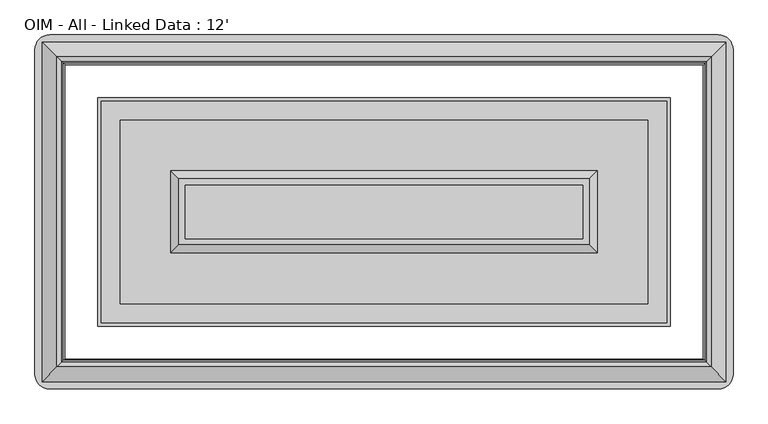
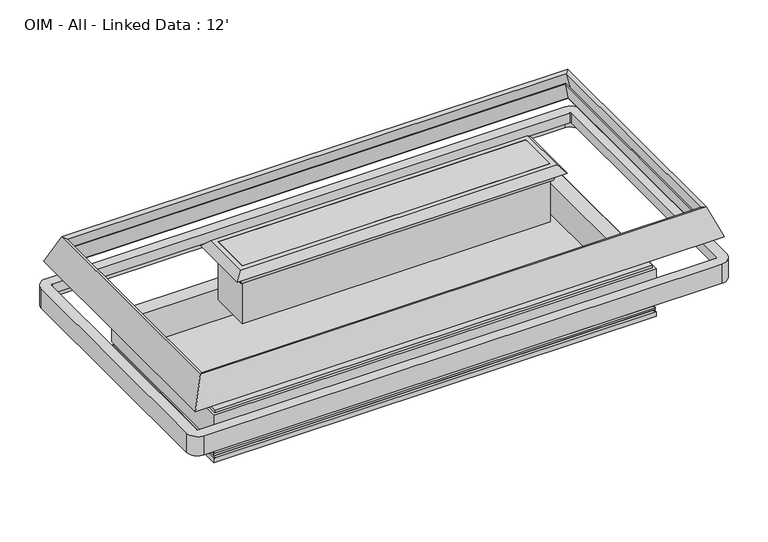
"""IFC4 building model written with IfcOpenShell, lengths in millimetres: proxy geometry, OIM - All - Linked Data : 12'."""

from ifc_helpers import new_model, si_unit, point, frame, frame_2d, origin, origin_with_axes, place, context, project, spatial, polyline, circle_curve, ellipse_curve, trimmed, segment, composite_curve, outline, extrude, faceted_brep, source, transform, mapped, element, save
from ifc_brep_helpers import plane_surface, cylinder_surface, revolved_surface, advanced_brep


def oim_all_linked_data_12_10238068(model_context):
    return source(origin(), model_context, "Body", "SolidModel", [
        extrude(outline(composite_curve([segment(trimmed(circle_curve(frame_2d((3250.40625, -1313.8632439)), 12.7), [point((3237.70625, -1313.8632439))], [point((3263.10625, -1313.8632439))], False, "CARTESIAN"), True, "CONTINUOUS"), segment(trimmed(circle_curve(frame_2d((3250.40625, -1313.8632439)), 12.7), [point((3263.10625, -1313.8632439))], [point((3237.70625, -1313.8632439))], False, "CARTESIAN"), True, "CONTINUOUS")], self_intersect=False)), origin_with_axes(), (0.0, 0.0, 1.0), 101.6),
        extrude(outline(composite_curve([segment(trimmed(circle_curve(frame_2d((3250.40625, -1369.8367134)), 9.525), [point((3240.88125, -1369.8367134))], [point((3259.93125, -1369.8367134))], False, "CARTESIAN"), True, "CONTINUOUS"), segment(trimmed(circle_curve(frame_2d((3250.40625, -1369.8367134)), 9.525), [point((3259.93125, -1369.8367134))], [point((3240.88125, -1369.8367134))], False, "CARTESIAN"), True, "CONTINUOUS")], self_intersect=False)), origin_with_axes(), (0.0, 0.0, 1.0), 101.6),
        extrude(outline(composite_curve([segment(trimmed(circle_curve(frame_2d((1951.0375, -996.2223778)), 38.1), [point((1912.9375, -996.2223778))], [point((1989.1375, -996.2223778))], False, "CARTESIAN"), True, "CONTINUOUS"), segment(trimmed(circle_curve(frame_2d((1951.0375, -996.2223778)), 38.1), [point((1989.1375, -996.2223778))], [point((1912.9375, -996.2223778))], False, "CARTESIAN"), True, "CONTINUOUS")], self_intersect=False)), origin_with_axes(), (0.0, 0.0, 1.0), 101.6),
        extrude(outline(composite_curve([segment(trimmed(circle_curve(frame_2d((1951.0375, -1833.7510429)), 38.1), [point((1989.1375, -1833.7510429))], [point((1912.9375, -1833.7510429))], False, "CARTESIAN"), True, "CONTINUOUS"), segment(trimmed(circle_curve(frame_2d((1951.0375, -1833.7510429)), 38.1), [point((1912.9375, -1833.7510429))], [point((1989.1375, -1833.7510429))], False, "CARTESIAN"), True, "CONTINUOUS")], self_intersect=False)), origin_with_axes(), (0.0, 0.0, 1.0), 101.6),
        extrude(outline(polyline([(920.5432283, -1535.8952268), (1053.8932283, -1535.8952268), (1053.8932283, -1605.7452268), (920.5432283, -1605.7452268), (920.5432283, -1535.8952268)])), frame((0.0, 0.0, 8.2791794), z_axis=(0.0, 0.0, 1.0), x_axis=(1.0, 0.0, 0.0)), (0.0, 0.0, 1.0), 6.35),
        advanced_brep(
        [(3484.3803221, -819.2036052, 146.05), (417.6946779, -819.2036052, 146.05), (417.6946779, -2009.4642494, 146.05), (3484.3803221, -2009.4642494, 146.05), (3484.3803221, -819.2036052, 14.6291794), (3484.3803221, -2009.4642494, 14.6291794), (417.6946779, -2009.4642494, 14.6291794), (417.6946779, -819.2036052, 14.6291794), (1900.2375, -996.2223778, 14.6291794), (2001.8375, -996.2223778, 14.6291794), (1900.2375, -1833.7510429, 14.6291794), (2001.8375, -1833.7510429, 14.6291794), (3199.60625, -1338.1832677, 14.6291794), (3301.20625, -1338.1832677, 14.6291794), (1900.2375, -996.2223778, 101.6), (2001.8375, -996.2223778, 101.6), (1900.2375, -1833.7510429, 101.6), (2001.8375, -1833.7510429, 101.6), (3199.60625, -1338.1832677, 101.6), (3301.20625, -1338.1832677, 101.6)],
        [
            (0, 1),
            (1, 2),
            (2, 3),
            (3, 0),
            (4, 5),
            (5, 6),
            (6, 7),
            (7, 4),
            (8, 9, circle_curve(frame((1951.0375, -996.2223778, 14.6291794), z_axis=(0.0, 0.0, 1.0), x_axis=(1.0, 0.0, 0.0)), 50.8)),
            (9, 8, circle_curve(frame((1951.0375, -996.2223778, 14.6291794), z_axis=(0.0, 0.0, 1.0), x_axis=(1.0, 0.0, 0.0)), 50.8)),
            (10, 11, circle_curve(frame((1951.0375, -1833.7510429, 14.6291794), z_axis=(0.0, 0.0, 1.0), x_axis=(1.0, 0.0, 0.0)), 50.8)),
            (11, 10, circle_curve(frame((1951.0375, -1833.7510429, 14.6291794), z_axis=(0.0, 0.0, 1.0), x_axis=(1.0, 0.0, 0.0)), 50.8)),
            (12, 13, circle_curve(frame((3250.40625, -1338.1832677, 14.6291794), z_axis=(0.0, 0.0, 1.0), x_axis=(1.0, 0.0, 0.0)), 50.8)),
            (13, 12, circle_curve(frame((3250.40625, -1338.1832677, 14.6291794), z_axis=(0.0, 0.0, 1.0), x_axis=(1.0, 0.0, 0.0)), 50.8)),
            (0, 4),
            (7, 1),
            (6, 2),
            (5, 3),
            (14, 15, circle_curve(frame((1951.0375, -996.2223778, 101.6), z_axis=(0.0, 0.0, -1.0), x_axis=(1.0, 0.0, 0.0)), 50.8)),
            (15, 14, circle_curve(frame((1951.0375, -996.2223778, 101.6), z_axis=(0.0, 0.0, -1.0), x_axis=(1.0, 0.0, 0.0)), 50.8)),
            (16, 17, circle_curve(frame((1951.0375, -1833.7510429, 101.6), z_axis=(0.0, 0.0, -1.0), x_axis=(1.0, 0.0, 0.0)), 50.8)),
            (17, 16, circle_curve(frame((1951.0375, -1833.7510429, 101.6), z_axis=(0.0, 0.0, -1.0), x_axis=(1.0, 0.0, 0.0)), 50.8)),
            (15, 9),
            (8, 14),
            (17, 11),
            (10, 16),
            (18, 19, circle_curve(frame((3250.40625, -1338.1832677, 101.6), z_axis=(0.0, 0.0, -1.0), x_axis=(1.0, 0.0, 0.0)), 50.8)),
            (19, 18, circle_curve(frame((3250.40625, -1338.1832677, 101.6), z_axis=(0.0, 0.0, -1.0), x_axis=(1.0, 0.0, 0.0)), 50.8)),
            (19, 13),
            (12, 18),
        ],
        [
            plane_surface(frame((417.6946779, -819.2036052, 146.05), z_axis=(0.0, 0.0, 1.0), x_axis=(-1.0, 0.0, 0.0))),
            plane_surface(frame((417.6946779, -819.2036052, 14.6291794), z_axis=(0.0, 0.0, -1.0), x_axis=(1.0, 0.0, 0.0))),
            plane_surface(frame((3484.3803221, -819.2036052, 146.05), z_axis=(0.0, 1.0, 0.0), x_axis=(0.0, 0.0, -1.0))),
            plane_surface(frame((417.6946779, -819.2036052, 146.05), z_axis=(-1.0, 0.0, 0.0), x_axis=(0.0, 0.0, -1.0))),
            plane_surface(frame((417.6946779, -2009.4642494, 146.05), z_axis=(0.0, -1.0, 0.0), x_axis=(0.0, 0.0, -1.0))),
            plane_surface(frame((3484.3803221, -2009.4642494, 146.05), z_axis=(1.0, 0.0, 0.0), x_axis=(0.0, 0.0, -1.0))),
            plane_surface(frame((2001.8375, -996.2223778, 101.6), z_axis=(0.0, 0.0, -1.0), x_axis=(0.0, 1.0, 0.0))),
            revolved_surface(polyline([(2001.8374999999999, -996.2223778, 101.6), (2001.8374999999999, -996.2223778, 14.6291794)]), (1951.0375, -996.2223778, 0.0), (0.0, 0.0, 1.0)),
            revolved_surface(polyline([(2001.8374999999999, -1833.7510429, 101.6), (2001.8374999999999, -1833.7510429, 14.6291794)]), (1951.0375, -1833.7510429, 0.0), (0.0, 0.0, 1.0)),
            plane_surface(frame((3301.20625, -1338.1832677, 101.6), z_axis=(0.0, 0.0, -1.0), x_axis=(0.0, 1.0, 0.0))),
            revolved_surface(polyline([(3301.20625, -1338.1832677, 101.6), (3301.20625, -1338.1832677, 14.6291794)]), (3250.40625, -1338.1832677, 0.0), (0.0, 0.0, 1.0)),
        ],
        [
            (0, [[1, 2, 3, 4]]),
            (1, [[5, 6, 7, 8], [9, 10], [11, 12], [13, 14]]),
            (2, [[-1, 15, -8, 16]]),
            (3, [[-2, -16, -7, 17]]),
            (4, [[-3, -17, -6, 18]]),
            (5, [[-4, -18, -5, -15]]),
            (6, [[19, 20]]),
            (6, [[21, 22]]),
            (7, [[-20, 23, -9, 24]]),
            (7, [[-19, -24, -10, -23]]),
            (8, [[-22, 25, -11, 26]]),
            (8, [[-21, -26, -12, -25]]),
            (9, [[27, 28]]),
            (10, [[-28, 29, -13, 30]]),
            (10, [[-27, -30, -14, -29]]),
        ],
    ),
        advanced_brep(
        [(407.5864212, -2019.5725061, 52.2515752), (404.0973241, -2023.0616032, 41.0863151), (3497.9776759, -2023.0616032, 41.0863151), (3494.4885788, -2019.5725061, 52.2515752), (3505.1257741, -2030.2097014, 50.0937524), (396.9492259, -2030.2097014, 50.0937524), (394.9553259, -2032.2036014, 62.7937524), (394.9553259, -2032.2036014, 50.0937524), (3507.1196741, -2032.2036014, 50.0937524), (3507.1196741, -2032.2036014, 62.7937524), (3497.9776759, -2023.0616032, 72.0584982), (404.0973241, -2023.0616032, 72.0584982), (3494.4885788, -2019.5725061, 83.2237583), (407.5864212, -2019.5725061, 83.2237583), (3505.1257741, -2030.2097014, 81.0659355), (396.9492259, -2030.2097014, 81.0659355), (394.9553259, -2032.2036014, 93.7659355), (394.9553259, -2032.2036014, 81.0659355), (3507.1196741, -2032.2036014, 81.0659355), (3507.1196741, -2032.2036014, 93.7659355), (3497.9776759, -2023.0616032, 103.0306813), (404.0973241, -2023.0616032, 103.0306813), (3494.4885788, -2019.5725061, 114.0694894), (407.5864212, -2019.5725061, 114.0694894), (3505.1257741, -2030.2097014, 112.0383055), (396.9492259, -2030.2097014, 112.0383055), (394.9553259, -2032.2036014, 124.7383055), (394.9553259, -2032.2036014, 112.0383055), (3507.1196741, -2032.2036014, 112.0383055), (3507.1196741, -2032.2036014, 124.7383055), (3494.4885788, -2019.5725061, 137.4381186), (407.5864212, -2019.5725061, 137.4381186), (3494.4885788, -2019.5725061, 146.05), (407.5864212, -2019.5725061, 146.05), (417.6946779, -2009.4642494, 0.0), (417.6946779, -2009.4642494, 146.05), (3484.3803221, -2009.4642494, 146.05), (3484.3803221, -2009.4642494, 0.0), (392.0670212, -2035.0919061, 31.4790022), (392.0670212, -2035.0919061, 0.0), (3510.0079788, -2035.0919061, 0.0), (3510.0079788, -2035.0919061, 31.4790022), (3497.9776759, -805.6062514, 41.0863151), (3494.4885788, -809.0953485, 52.2515752), (3505.1257741, -798.4581532, 50.0937524), (3507.1196741, -796.4642532, 50.0937524), (3507.1196741, -796.4642532, 62.7937524), (3497.9776759, -805.6062514, 72.0584982), (3494.4885788, -809.0953485, 83.2237583), (3505.1257741, -798.4581532, 81.0659355), (3507.1196741, -796.4642532, 81.0659355), (3507.1196741, -796.4642532, 93.7659355), (3497.9776759, -805.6062514, 103.0306813), (3494.4885788, -809.0953485, 114.0694894), (3505.1257741, -798.4581532, 112.0383055), (3507.1196741, -796.4642532, 112.0383055), (3507.1196741, -796.4642532, 124.7383055), (3494.4885788, -809.0953485, 137.4381186), (3494.4885788, -809.0953485, 146.05), (3484.3803221, -819.2036052, 146.05), (3484.3803221, -819.2036052, 0.0), (3510.0079788, -793.5759485, 0.0), (3510.0079788, -793.5759485, 31.4790022), (404.0973241, -805.6062514, 41.0863151), (407.5864212, -809.0953485, 52.2515752), (396.9492259, -798.4581532, 50.0937524), (394.9553259, -796.4642532, 50.0937524), (394.9553259, -796.4642532, 62.7937524), (404.0973241, -805.6062514, 72.0584982), (407.5864212, -809.0953485, 83.2237583), (396.9492259, -798.4581532, 81.0659355), (394.9553259, -796.4642532, 81.0659355), (394.9553259, -796.4642532, 93.7659355), (404.0973241, -805.6062514, 103.0306813), (407.5864212, -809.0953485, 114.0694894), (396.9492259, -798.4581532, 112.0383055), (394.9553259, -796.4642532, 112.0383055), (394.9553259, -796.4642532, 124.7383055), (407.5864212, -809.0953485, 137.4381186), (407.5864212, -809.0953485, 146.05), (417.6946779, -819.2036052, 146.05), (417.6946779, -819.2036052, 0.0), (392.0670212, -793.5759485, 0.0), (392.0670212, -793.5759485, 31.4790022)],
        [
            (0, 1),
            (1, 2),
            (2, 3),
            (3, 0),
            (3, 4),
            (4, 5),
            (5, 0),
            (6, 7),
            (7, 8),
            (8, 9),
            (9, 6),
            (9, 10, ellipse_curve(frame((3510.3115131, -2035.3954404, 75.0861144), z_axis=(0.7071067811865475, 0.7071067811865475, 0.0), x_axis=(0.7071067811865476, -0.7071067811865474, 0.0)), 17.9605122, 12.7)),
            (10, 11),
            (11, 6, ellipse_curve(frame((391.7634869, -2035.3954404, 75.0861144), z_axis=(-0.7071067811865475, 0.7071067811865475, 0.0), x_axis=(0.7071067811865476, 0.7071067811865474, 0.0)), 17.9605122, 12.7)),
            (10, 12),
            (12, 13),
            (13, 11),
            (12, 14),
            (14, 15),
            (15, 13),
            (16, 17),
            (17, 18),
            (18, 19),
            (19, 16),
            (19, 20, ellipse_curve(frame((3510.3115131, -2035.3954404, 106.0582975), z_axis=(0.7071067811865475, 0.7071067811865475, 0.0), x_axis=(0.7071067811865476, -0.7071067811865474, 0.0)), 17.9605122, 12.7)),
            (20, 21),
            (21, 16, ellipse_curve(frame((391.7634869, -2035.3954404, 106.0582975), z_axis=(-0.7071067811865475, 0.7071067811865475, 0.0), x_axis=(0.7071067811865476, 0.7071067811865474, 0.0)), 17.9605122, 12.7)),
            (20, 22),
            (22, 23),
            (23, 21),
            (22, 24),
            (24, 25),
            (25, 23),
            (26, 27),
            (27, 28),
            (28, 29),
            (29, 26),
            (29, 30, ellipse_curve(frame((3507.1885788, -2032.2725061, 137.4381186), z_axis=(0.7071067811865475, 0.7071067811865475, 0.0), x_axis=(0.7071067811865476, -0.7071067811865474, 0.0)), 17.9605122, 12.7)),
            (30, 31),
            (31, 26, ellipse_curve(frame((394.8864212, -2032.2725061, 137.4381186), z_axis=(-0.7071067811865475, 0.7071067811865475, 0.0), x_axis=(0.7071067811865476, 0.7071067811865474, 0.0)), 17.9605122, 12.7)),
            (30, 32),
            (32, 33),
            (33, 31),
            (34, 35),
            (35, 36),
            (36, 37),
            (37, 34),
            (38, 39),
            (39, 40),
            (40, 41),
            (41, 38),
            (1, 38, ellipse_curve(frame((393.1207685, -2034.0381588, 42.4953422), z_axis=(-0.7071067811865475, 0.7071067811865475, 0.0), x_axis=(0.7071067811865476, 0.7071067811865474, 0.0)), 15.6505674, 11.0666223)),
            (41, 2, ellipse_curve(frame((3508.9542315, -2034.0381588, 42.4953422), z_axis=(0.7071067811865475, 0.7071067811865475, 0.0), x_axis=(0.7071067811865476, -0.7071067811865474, 0.0)), 15.6505674, 11.0666223)),
            (2, 42),
            (42, 43),
            (43, 3),
            (43, 44),
            (44, 4),
            (8, 45),
            (45, 46),
            (46, 9),
            (46, 47, ellipse_curve(frame((3510.3115131, -793.2724142, 75.0861144), z_axis=(-0.7071067811865475, 0.7071067811865475, 0.0), x_axis=(0.7071067811865474, 0.7071067811865476, 0.0)), 17.9605122, 12.7)),
            (47, 10),
            (47, 48),
            (48, 12),
            (48, 49),
            (49, 14),
            (18, 50),
            (50, 51),
            (51, 19),
            (51, 52, ellipse_curve(frame((3510.3115131, -793.2724142, 106.0582975), z_axis=(-0.7071067811865475, 0.7071067811865475, 0.0), x_axis=(0.7071067811865474, 0.7071067811865476, 0.0)), 17.9605122, 12.7)),
            (52, 20),
            (52, 53),
            (53, 22),
            (53, 54),
            (54, 24),
            (28, 55),
            (55, 56),
            (56, 29),
            (56, 57, ellipse_curve(frame((3507.1885788, -796.3953485, 137.4381186), z_axis=(-0.7071067811865475, 0.7071067811865475, 0.0), x_axis=(0.7071067811865474, 0.7071067811865476, 0.0)), 17.9605122, 12.7)),
            (57, 30),
            (57, 58),
            (58, 32),
            (36, 59),
            (59, 60),
            (60, 37),
            (40, 61),
            (61, 62),
            (62, 41),
            (62, 42, ellipse_curve(frame((3508.9542315, -794.6296958, 42.4953422), z_axis=(-0.7071067811865475, 0.7071067811865475, 0.0), x_axis=(0.7071067811865474, 0.7071067811865476, 0.0)), 15.6505674, 11.0666223)),
            (42, 63),
            (63, 64),
            (64, 43),
            (64, 65),
            (65, 44),
            (45, 66),
            (66, 67),
            (67, 46),
            (67, 68, ellipse_curve(frame((391.7634869, -793.2724142, 75.0861144), z_axis=(-0.7071067811865475, -0.7071067811865475, 0.0), x_axis=(-0.7071067811865476, 0.7071067811865474, 0.0)), 17.9605122, 12.7)),
            (68, 47),
            (68, 69),
            (69, 48),
            (69, 70),
            (70, 49),
            (50, 71),
            (71, 72),
            (72, 51),
            (72, 73, ellipse_curve(frame((391.7634869, -793.2724142, 106.0582975), z_axis=(-0.7071067811865475, -0.7071067811865475, 0.0), x_axis=(-0.7071067811865476, 0.7071067811865474, 0.0)), 17.9605122, 12.7)),
            (73, 52),
            (73, 74),
            (74, 53),
            (74, 75),
            (75, 54),
            (55, 76),
            (76, 77),
            (77, 56),
            (77, 78, ellipse_curve(frame((394.8864212, -796.3953485, 137.4381186), z_axis=(-0.7071067811865475, -0.7071067811865475, 0.0), x_axis=(-0.7071067811865476, 0.7071067811865474, 0.0)), 17.9605122, 12.7)),
            (78, 57),
            (78, 79),
            (79, 58),
            (59, 80),
            (80, 81),
            (81, 60),
            (61, 82),
            (82, 83),
            (83, 62),
            (83, 63, ellipse_curve(frame((393.1207685, -794.6296958, 42.4953422), z_axis=(-0.7071067811865475, -0.7071067811865475, 0.0), x_axis=(-0.7071067811865476, 0.7071067811865474, 0.0)), 15.6505674, 11.0666223)),
            (0, 64),
            (63, 1),
            (5, 65),
            (7, 66),
            (6, 67),
            (11, 68),
            (13, 69),
            (15, 70),
            (17, 71),
            (16, 72),
            (21, 73),
            (23, 74),
            (25, 75),
            (27, 76),
            (26, 77),
            (31, 78),
            (33, 79),
            (35, 80),
            (34, 81),
            (39, 82),
            (38, 83),
        ],
        [
            plane_surface(frame((404.0973241, -2023.0616032, 41.0863151), z_axis=(0.0, -0.9544811145040373, 0.2982713564107874), x_axis=(1.0, 0.0, 0.0))),
            plane_surface(frame((407.5864212, -2019.5725061, 52.2515752), z_axis=(0.0, 0.19880707887698196, -0.9800386448443763), x_axis=(1.0, 0.0, 0.0))),
            plane_surface(frame((394.9553259, -2032.2036014, 50.0937524), z_axis=(0.0, -1.0, 0.0), x_axis=(1.0, 0.0, 0.0))),
            revolved_surface(polyline([(3523.011513070204, -2022.6954404, 75.0861144), (379.0634869297963, -2022.6954404, 75.0861144)]), (0.0, -2035.3954404, 75.0861144), (1.0, 0.0, 0.0)),
            plane_surface(frame((404.0973241, -2023.0616032, 72.0584982), z_axis=(0.0, -0.9544811145041052, 0.2982713564105698), x_axis=(1.0, 0.0, 0.0))),
            plane_surface(frame((407.5864212, -2019.5725061, 83.2237583), z_axis=(0.0, 0.1988070788769928, -0.9800386448443741), x_axis=(1.0, 0.0, 0.0))),
            plane_surface(frame((394.9553259, -2032.2036014, 81.0659355), z_axis=(0.0, -1.0, 0.0), x_axis=(1.0, 0.0, 0.0))),
            revolved_surface(polyline([(3523.011513070204, -2022.6954404, 106.0582975), (379.0634869297963, -2022.6954404, 106.0582975)]), (0.0, -2035.3954404, 106.0582975), (1.0, 0.0, 0.0)),
            plane_surface(frame((404.0973241, -2023.0616032, 103.0306813), z_axis=(0.0, -0.9535043111328932, 0.30137937661855163), x_axis=(1.0, 0.0, 0.0))),
            plane_surface(frame((407.5864212, -2019.5725061, 114.0694894), z_axis=(0.0, 0.1875622155180167, -0.9822527247658686), x_axis=(1.0, 0.0, 0.0))),
            plane_surface(frame((394.9553259, -2032.2036014, 112.0383055), z_axis=(0.0, -1.0, 0.0), x_axis=(1.0, 0.0, 0.0))),
            revolved_surface(polyline([(3519.888578770204, -2019.5725061, 137.4381186), (382.1864212297963, -2019.5725061, 137.4381186)]), (0.0, -2032.2725061, 137.4381186), (1.0, 0.0, 0.0)),
            plane_surface(frame((407.5864212, -2019.5725061, 137.4381186), z_axis=(0.0, -1.0, 0.0), x_axis=(1.0, 0.0, 0.0))),
            plane_surface(frame((417.6946779, -2009.4642494, 146.05), z_axis=(0.0, 1.0, 0.0), x_axis=(1.0, 0.0, 0.0))),
            plane_surface(frame((392.0670212, -2035.0919061, 0.0), z_axis=(0.0, -1.0, 0.0), x_axis=(1.0, 0.0, 0.0))),
            revolved_surface(polyline([(3520.020853837957, -2022.9715365, 42.4953422), (382.05414616204285, -2022.9715365, 42.4953422)]), (0.0, -2034.0381588, 42.4953422), (1.0, 0.0, 0.0)),
            plane_surface(frame((3497.9776759, -2023.0616032, 41.0863151), z_axis=(0.9544811145040373, 0.0, 0.2982713564107874), x_axis=(0.0, 1.0, 0.0))),
            plane_surface(frame((3494.4885788, -2019.5725061, 52.2515752), z_axis=(-0.19880707887698196, 0.0, -0.9800386448443763), x_axis=(0.0, 1.0, 0.0))),
            plane_surface(frame((3507.1196741, -2032.2036014, 50.0937524), z_axis=(1.0, 0.0, 0.0), x_axis=(0.0, 1.0, 0.0))),
            revolved_surface(polyline([(3497.6115131, -780.5724142297963, 75.0861144), (3497.6115131, -2048.095440370204, 75.0861144)]), (3510.3115131, -2427.1589273, 75.0861144), (0.0, 1.0, 0.0)),
            plane_surface(frame((3497.9776759, -2023.0616032, 72.0584982), z_axis=(0.9544811145041052, 0.0, 0.2982713564105698), x_axis=(0.0, 1.0, 0.0))),
            plane_surface(frame((3494.4885788, -2019.5725061, 83.2237583), z_axis=(-0.1988070788769928, 0.0, -0.9800386448443741), x_axis=(0.0, 1.0, 0.0))),
            plane_surface(frame((3507.1196741, -2032.2036014, 81.0659355), z_axis=(1.0, 0.0, 0.0), x_axis=(0.0, 1.0, 0.0))),
            revolved_surface(polyline([(3497.6115131, -780.5724142297963, 106.0582975), (3497.6115131, -2048.095440370204, 106.0582975)]), (3510.3115131, -2427.1589273, 106.0582975), (0.0, 1.0, 0.0)),
            plane_surface(frame((3497.9776759, -2023.0616032, 103.0306813), z_axis=(0.9535043111328932, 0.0, 0.30137937661855163), x_axis=(0.0, 1.0, 0.0))),
            plane_surface(frame((3494.4885788, -2019.5725061, 114.0694894), z_axis=(-0.1875622155180167, 0.0, -0.9822527247658686), x_axis=(0.0, 1.0, 0.0))),
            plane_surface(frame((3507.1196741, -2032.2036014, 112.0383055), z_axis=(1.0, 0.0, 0.0), x_axis=(0.0, 1.0, 0.0))),
            revolved_surface(polyline([(3494.4885788, -783.6953485297963, 137.4381186), (3494.4885788, -2044.9725060702037, 137.4381186)]), (3507.1885788, -2427.1589273, 137.4381186), (0.0, 1.0, 0.0)),
            plane_surface(frame((3494.4885788, -2019.5725061, 137.4381186), z_axis=(1.0, 0.0, 0.0), x_axis=(0.0, 1.0, 0.0))),
            plane_surface(frame((3484.3803221, -2009.4642494, 146.05), z_axis=(-1.0, 0.0, 0.0), x_axis=(0.0, 1.0, 0.0))),
            plane_surface(frame((3510.0079788, -2035.0919061, 0.0), z_axis=(1.0, 0.0, 0.0), x_axis=(0.0, 1.0, 0.0))),
            revolved_surface(polyline([(3497.8876092, -783.5630734620429, 42.4953422), (3497.8876092, -2045.1047811379572, 42.4953422)]), (3508.9542315, -2427.1589273, 42.4953422), (0.0, 1.0, 0.0)),
            plane_surface(frame((3497.9776759, -805.6062514, 41.0863151), z_axis=(0.0, 0.9544811145040373, 0.2982713564107874), x_axis=(-1.0, 0.0, 0.0))),
            plane_surface(frame((3494.4885788, -809.0953485, 52.2515752), z_axis=(0.0, -0.19880707887698196, -0.9800386448443763), x_axis=(-1.0, 0.0, 0.0))),
            plane_surface(frame((3507.1196741, -796.4642532, 50.0937524), z_axis=(0.0, 1.0, 0.0), x_axis=(-1.0, 0.0, 0.0))),
            revolved_surface(polyline([(379.063486929796, -805.9724142, 75.0861144), (3523.011513070204, -805.9724142, 75.0861144)]), (3902.075, -793.2724142, 75.0861144), (-1.0, 0.0, 0.0)),
            plane_surface(frame((3497.9776759, -805.6062514, 72.0584982), z_axis=(0.0, 0.9544811145041052, 0.2982713564105698), x_axis=(-1.0, 0.0, 0.0))),
            plane_surface(frame((3494.4885788, -809.0953485, 83.2237583), z_axis=(0.0, -0.1988070788769928, -0.9800386448443741), x_axis=(-1.0, 0.0, 0.0))),
            plane_surface(frame((3507.1196741, -796.4642532, 81.0659355), z_axis=(0.0, 1.0, 0.0), x_axis=(-1.0, 0.0, 0.0))),
            revolved_surface(polyline([(379.063486929796, -805.9724142, 106.0582975), (3523.011513070204, -805.9724142, 106.0582975)]), (3902.075, -793.2724142, 106.0582975), (-1.0, 0.0, 0.0)),
            plane_surface(frame((3497.9776759, -805.6062514, 103.0306813), z_axis=(0.0, 0.9535043111328932, 0.30137937661855163), x_axis=(-1.0, 0.0, 0.0))),
            plane_surface(frame((3494.4885788, -809.0953485, 114.0694894), z_axis=(0.0, -0.1875622155180167, -0.9822527247658686), x_axis=(-1.0, 0.0, 0.0))),
            plane_surface(frame((3507.1196741, -796.4642532, 112.0383055), z_axis=(0.0, 1.0, 0.0), x_axis=(-1.0, 0.0, 0.0))),
            revolved_surface(polyline([(382.186421229796, -809.0953485, 137.4381186), (3519.888578770204, -809.0953485, 137.4381186)]), (3902.075, -796.3953485, 137.4381186), (-1.0, 0.0, 0.0)),
            plane_surface(frame((3494.4885788, -809.0953485, 137.4381186), z_axis=(0.0, 1.0, 0.0), x_axis=(-1.0, 0.0, 0.0))),
            plane_surface(frame((3484.3803221, -819.2036052, 146.05), z_axis=(0.0, -1.0, 0.0), x_axis=(-1.0, 0.0, 0.0))),
            plane_surface(frame((3510.0079788, -793.5759485, 0.0), z_axis=(0.0, 1.0, 0.0), x_axis=(-1.0, 0.0, 0.0))),
            revolved_surface(polyline([(382.0541461620428, -805.6963181, 42.4953422), (3520.020853837957, -805.6963181, 42.4953422)]), (3902.075, -794.6296958, 42.4953422), (-1.0, 0.0, 0.0)),
            plane_surface(frame((404.0973241, -805.6062514, 41.0863151), z_axis=(-0.9544811145040373, 0.0, 0.2982713564107874), x_axis=(0.0, -1.0, 0.0))),
            plane_surface(frame((407.5864212, -809.0953485, 52.2515752), z_axis=(0.19880707887698196, 0.0, -0.9800386448443763), x_axis=(0.0, -1.0, 0.0))),
            plane_surface(frame((396.9492259, -798.4581532, 50.0937524), z_axis=(0.0, 0.0, -1.0), x_axis=(0.0, -1.0, 0.0))),
            plane_surface(frame((394.9553259, -796.4642532, 50.0937524), z_axis=(-1.0, 0.0, 0.0), x_axis=(0.0, -1.0, 0.0))),
            revolved_surface(polyline([(404.46348689999996, -2048.095440370204, 75.0861144), (404.46348689999996, -780.5724142297963, 75.0861144)]), (391.7634869, -401.5089273, 75.0861144), (0.0, -1.0, 0.0)),
            plane_surface(frame((404.0973241, -805.6062514, 72.0584982), z_axis=(-0.9544811145041052, 0.0, 0.2982713564105698), x_axis=(0.0, -1.0, 0.0))),
            plane_surface(frame((407.5864212, -809.0953485, 83.2237583), z_axis=(0.1988070788769928, 0.0, -0.9800386448443741), x_axis=(0.0, -1.0, 0.0))),
            plane_surface(frame((396.9492259, -798.4581532, 81.0659355), z_axis=(0.0, 0.0, -1.0), x_axis=(0.0, -1.0, 0.0))),
            plane_surface(frame((394.9553259, -796.4642532, 81.0659355), z_axis=(-1.0, 0.0, 0.0), x_axis=(0.0, -1.0, 0.0))),
            revolved_surface(polyline([(404.46348689999996, -2048.095440370204, 106.0582975), (404.46348689999996, -780.5724142297963, 106.0582975)]), (391.7634869, -401.5089273, 106.0582975), (0.0, -1.0, 0.0)),
            plane_surface(frame((404.0973241, -805.6062514, 103.0306813), z_axis=(-0.9535043111328932, 0.0, 0.30137937661855163), x_axis=(0.0, -1.0, 0.0))),
            plane_surface(frame((407.5864212, -809.0953485, 114.0694894), z_axis=(0.1875622155180167, 0.0, -0.9822527247658686), x_axis=(0.0, -1.0, 0.0))),
            plane_surface(frame((396.9492259, -798.4581532, 112.0383055), z_axis=(0.0, 0.0, -1.0), x_axis=(0.0, -1.0, 0.0))),
            plane_surface(frame((394.9553259, -796.4642532, 112.0383055), z_axis=(-1.0, 0.0, 0.0), x_axis=(0.0, -1.0, 0.0))),
            revolved_surface(polyline([(407.58642119999996, -2044.972506070204, 137.4381186), (407.58642119999996, -783.6953485297963, 137.4381186)]), (394.8864212, -401.5089273, 137.4381186), (0.0, -1.0, 0.0)),
            plane_surface(frame((407.5864212, -809.0953485, 137.4381186), z_axis=(-1.0, 0.0, 0.0), x_axis=(0.0, -1.0, 0.0))),
            plane_surface(frame((407.5864212, -809.0953485, 146.05), z_axis=(0.0, 0.0, 1.0), x_axis=(0.0, -1.0, 0.0))),
            plane_surface(frame((417.6946779, -819.2036052, 146.05), z_axis=(1.0, 0.0, 0.0), x_axis=(0.0, -1.0, 0.0))),
            plane_surface(frame((417.6946779, -819.2036052, 0.0), z_axis=(0.0, 0.0, -1.0), x_axis=(0.0, -1.0, 0.0))),
            plane_surface(frame((392.0670212, -793.5759485, 0.0), z_axis=(-1.0, 0.0, 0.0), x_axis=(0.0, -1.0, 0.0))),
            revolved_surface(polyline([(404.1873908, -2045.1047811379572, 42.4953422), (404.1873908, -783.5630734620429, 42.4953422)]), (393.1207685, -401.5089273, 42.4953422), (0.0, -1.0, 0.0)),
        ],
        [
            (0, [[1, 2, 3, 4]]),
            (1, [[-4, 5, 6, 7]]),
            (2, [[8, 9, 10, 11]]),
            (3, [[-11, 12, 13, 14]]),
            (4, [[-13, 15, 16, 17]]),
            (5, [[-16, 18, 19, 20]]),
            (6, [[21, 22, 23, 24]]),
            (7, [[-24, 25, 26, 27]]),
            (8, [[-26, 28, 29, 30]]),
            (9, [[-29, 31, 32, 33]]),
            (10, [[34, 35, 36, 37]]),
            (11, [[-37, 38, 39, 40]]),
            (12, [[-39, 41, 42, 43]]),
            (13, [[44, 45, 46, 47]]),
            (14, [[48, 49, 50, 51]]),
            (15, [[-2, 52, -51, 53]]),
            (16, [[-3, 54, 55, 56]]),
            (17, [[-5, -56, 57, 58]]),
            (18, [[-10, 59, 60, 61]]),
            (19, [[-12, -61, 62, 63]]),
            (20, [[-15, -63, 64, 65]]),
            (21, [[-18, -65, 66, 67]]),
            (22, [[-23, 68, 69, 70]]),
            (23, [[-25, -70, 71, 72]]),
            (24, [[-28, -72, 73, 74]]),
            (25, [[-31, -74, 75, 76]]),
            (26, [[-36, 77, 78, 79]]),
            (27, [[-38, -79, 80, 81]]),
            (28, [[-41, -81, 82, 83]]),
            (29, [[-46, 84, 85, 86]]),
            (30, [[-50, 87, 88, 89]]),
            (31, [[-53, -89, 90, -54]]),
            (32, [[-55, 91, 92, 93]]),
            (33, [[-57, -93, 94, 95]]),
            (34, [[-60, 96, 97, 98]]),
            (35, [[-62, -98, 99, 100]]),
            (36, [[-64, -100, 101, 102]]),
            (37, [[-66, -102, 103, 104]]),
            (38, [[-69, 105, 106, 107]]),
            (39, [[-71, -107, 108, 109]]),
            (40, [[-73, -109, 110, 111]]),
            (41, [[-75, -111, 112, 113]]),
            (42, [[-78, 114, 115, 116]]),
            (43, [[-80, -116, 117, 118]]),
            (44, [[-82, -118, 119, 120]]),
            (45, [[-85, 121, 122, 123]]),
            (46, [[-88, 124, 125, 126]]),
            (47, [[-90, -126, 127, -91]]),
            (48, [[-1, 128, -92, 129]]),
            (49, [[-7, 130, -94, -128]]),
            (50, [[-9, 131, -96, -59], [-6, -58, -95, -130]]),
            (51, [[-8, 132, -97, -131]]),
            (52, [[-14, 133, -99, -132]]),
            (53, [[-17, 134, -101, -133]]),
            (54, [[-20, 135, -103, -134]]),
            (55, [[-22, 136, -105, -68], [-19, -67, -104, -135]]),
            (56, [[-21, 137, -106, -136]]),
            (57, [[-27, 138, -108, -137]]),
            (58, [[-30, 139, -110, -138]]),
            (59, [[-33, 140, -112, -139]]),
            (60, [[-35, 141, -114, -77], [-32, -76, -113, -140]]),
            (61, [[-34, 142, -115, -141]]),
            (62, [[-40, 143, -117, -142]]),
            (63, [[-43, 144, -119, -143]]),
            (64, [[-42, -83, -120, -144], [-45, 145, -121, -84]]),
            (65, [[-44, 146, -122, -145]]),
            (66, [[-49, 147, -124, -87], [-47, -86, -123, -146]]),
            (67, [[-48, 148, -125, -147]]),
            (68, [[-52, -129, -127, -148]]),
        ],
    ),
        faceted_brep([(192.6265401, -2234.5323872, 861.5557008), (113.310676, -2313.8482513, 659.9033799), (113.310676, -514.8196033, 659.9033799), (192.6265401, -594.1354674, 861.5557008), (167.6182569, -2259.5406704, 871.4067245), (167.6182569, -569.1271842, 871.4067245), (88.2010315, -2338.9578958, 669.7943308), (88.2010315, -489.7099588, 669.7943308), (3788.764324, -514.8196033, 659.9033799), (3709.4484599, -594.1354674, 861.5557008), (3734.4567431, -569.1271842, 871.4067245), (3813.8739685, -489.7099588, 669.7943308), (3788.764324, -2313.8482513, 659.9033799), (3709.4484599, -2234.5323872, 861.5557008), (3734.4567431, -2259.5406704, 871.4067245), (3813.8739685, -2338.9578958, 669.7943308)], [[[0, 1, 2, 3]], [[4, 0, 3, 5]], [[6, 4, 5, 7]], [[1, 6, 7, 2]], [[3, 2, 8, 9]], [[5, 3, 9, 10]], [[7, 5, 10, 11]], [[2, 7, 11, 8]], [[9, 8, 12, 13]], [[10, 9, 13, 14]], [[11, 10, 14, 15]], [[8, 11, 15, 12]], [[13, 12, 1, 0]], [[14, 13, 0, 4]], [[15, 14, 4, 6]], [[12, 15, 6, 1]]]),
        faceted_brep([(209.7758908, -2217.3830365, 799.3299339), (163.0942322, -2264.0646951, 654.252772), (163.0942322, -564.6031595, 654.252772), (209.7758908, -611.2848181, 799.3299339), (203.7209854, -2223.4379419, 801.2432088), (203.7209854, -605.2299127, 801.2432088), (157.0393268, -2270.1196005, 656.1660469), (157.0393268, -558.5482541, 656.1660469), (156.6994979, -2270.4594294, 652.4421919), (156.6994979, -558.2084252, 652.4421919), (163.3294714, -2263.8294559, 652.4421919), (163.3294714, -564.8383987, 652.4421919), (3738.9807678, -564.6031595, 654.252772), (3692.2991092, -611.2848181, 799.3299339), (3698.3540146, -605.2299127, 801.2432088), (3745.0356732, -558.5482541, 656.1660469), (3745.3755021, -558.2084252, 652.4421919), (3738.7455286, -564.8383987, 652.4421919), (3738.9807678, -2264.0646951, 654.252772), (3692.2991092, -2217.3830365, 799.3299339), (3698.3540146, -2223.4379419, 801.2432088), (3745.0356732, -2270.1196005, 656.1660469), (3745.3755021, -2270.4594294, 652.4421919), (3738.7455286, -2263.8294559, 652.4421919)], [[[0, 1, 2, 3]], [[4, 0, 3, 5]], [[6, 4, 5, 7]], [[8, 6, 7, 9]], [[1, 10, 11, 2]], [[3, 2, 12, 13]], [[5, 3, 13, 14]], [[7, 5, 14, 15]], [[9, 7, 15, 16]], [[2, 11, 17, 12]], [[13, 12, 18, 19]], [[14, 13, 19, 20]], [[15, 14, 20, 21]], [[16, 15, 21, 22]], [[12, 17, 23, 18]], [[19, 18, 1, 0]], [[20, 19, 0, 4]], [[21, 20, 4, 6]], [[22, 21, 6, 8]], [[9, 16, 22, 8], [10, 23, 17, 11]], [[18, 23, 10, 1]]]),
        extrude(outline(polyline([(3035.4647942, -1268.1191331), (3035.4647942, -1560.5487215), (866.6102058, -1560.5487215), (866.6102058, -1268.1191331), (3035.4647942, -1268.1191331)])), frame((0.0, 0.0, 898.7221611), z_axis=(0.0, 0.0, 1.0), x_axis=(1.0, 0.0, 0.0)), (0.0, 0.0, 1.0), 114.1028389),
        extrude(outline(polyline([(866.6102058, -1268.1191331), (3035.4647942, -1268.1191331), (3035.4647942, -1562.3137157), (866.6102058, -1562.3137157), (866.6102058, -1268.1191331)])), frame((0.0, 0.0, 583.240307), z_axis=(0.0, 0.0, 1.0), x_axis=(1.0, 0.0, 0.0)), (0.0, 0.0, 1.0), 315.481854),
        advanced_brep(
        [(63.1003627, -2298.62165, 395.026718), (63.1003627, -2298.62165, 359.085718), (63.1003627, -530.0462046, 359.085718), (63.1003627, -530.0462046, 395.026718), (67.0998531, -2298.62165, 418.2709148), (67.0998531, -530.0462046, 418.2709148), (120.2577792, -2298.62165, 431.9506037), (120.2577792, -530.0462046, 431.9506037), (48.3683627, -2298.62165, 359.085718), (48.3683627, -2298.62165, 502.405218), (48.3683627, -530.0462046, 502.405218), (48.3683627, -530.0462046, 359.085718), (128.5372773, -464.60929, 395.026718), (128.5372773, -464.60929, 359.085718), (3773.5377227, -464.60929, 359.085718), (3773.5377227, -464.60929, 395.026718), (128.5372773, -468.6087804, 418.2709148), (3773.5377227, -468.6087804, 418.2709148), (128.5372773, -521.7667065, 431.9506037), (3773.5377227, -521.7667065, 431.9506037), (128.5372773, -449.87729, 359.085718), (128.5372773, -449.87729, 502.405218), (3773.5377227, -449.87729, 502.405218), (3773.5377227, -449.87729, 359.085718), (3838.9746373, -530.0462046, 395.026718), (3838.9746373, -530.0462046, 359.085718), (3838.9746373, -2298.62165, 359.085718), (3838.9746373, -2298.62165, 395.026718), (3834.9751469, -530.0462046, 418.2709148), (3834.9751469, -2298.62165, 418.2709148), (3781.8172208, -530.0462046, 431.9506037), (3781.8172208, -2298.62165, 431.9506037), (3853.7066373, -530.0462046, 359.085718), (3853.7066373, -530.0462046, 502.405218), (3853.7066373, -2298.62165, 502.405218), (3853.7066373, -2298.62165, 359.085718), (3773.5377227, -2364.0585646, 395.026718), (3773.5377227, -2364.0585646, 359.085718), (128.5372773, -2364.0585646, 359.085718), (128.5372773, -2364.0585646, 395.026718), (3773.5377227, -2360.0590742, 418.2709148), (128.5372773, -2360.0590742, 418.2709148), (3773.5377227, -2306.9011481, 431.9506037), (128.5372773, -2306.9011481, 431.9506037), (3773.5377227, -2378.7905646, 359.085718), (3773.5377227, -2378.7905646, 502.405218), (128.5372773, -2378.7905646, 502.405218), (128.5372773, -2378.7905646, 359.085718), (120.2577792, -2298.62165, 502.405218), (128.5372773, -2306.9011481, 502.405218), (120.2577792, -530.0462046, 502.405218), (128.5372773, -521.7667065, 502.405218), (3773.5377227, -521.7667065, 502.405218), (3781.8172208, -530.0462046, 502.405218), (3781.8172208, -2298.62165, 502.405218), (3773.5377227, -2306.9011481, 502.405218)],
        [
            (0, 1),
            (1, 2),
            (2, 3),
            (3, 0),
            (4, 0),
            (3, 5),
            (5, 4),
            (6, 4),
            (5, 7),
            (7, 6),
            (8, 9),
            (9, 10),
            (10, 11),
            (11, 8),
            (12, 13),
            (13, 14),
            (14, 15),
            (15, 12),
            (16, 12),
            (15, 17),
            (17, 16),
            (18, 16),
            (17, 19),
            (19, 18),
            (20, 21),
            (21, 22),
            (22, 23),
            (23, 20),
            (24, 25),
            (25, 26),
            (26, 27),
            (27, 24),
            (28, 24),
            (27, 29),
            (29, 28),
            (30, 28),
            (29, 31),
            (31, 30),
            (32, 33),
            (33, 34),
            (34, 35),
            (35, 32),
            (36, 37),
            (37, 38),
            (38, 39),
            (39, 36),
            (40, 36),
            (39, 41),
            (41, 40),
            (42, 40),
            (41, 43),
            (43, 42),
            (44, 45),
            (45, 46),
            (46, 47),
            (47, 44),
            (0, 39, circle_curve(frame((128.5372773, -2298.62165, 395.026718), z_axis=(0.0, 0.0, 1.0), x_axis=(0.0, -1.0, 0.0)), 65.4369146)),
            (38, 1, circle_curve(frame((128.5372773, -2298.62165, 359.085718), z_axis=(0.0, 0.0, -1.0), x_axis=(0.0, -1.0, 0.0)), 65.4369146)),
            (4, 41, circle_curve(frame((128.5372773, -2298.62165, 418.2709148), z_axis=(0.0, 0.0, 1.0), x_axis=(0.0, -1.0, 0.0)), 61.4374242)),
            (6, 43, circle_curve(frame((128.5372773, -2298.62165, 431.9506037), z_axis=(0.0, 0.0, 1.0), x_axis=(0.0, -1.0, 0.0)), 8.2794981)),
            (48, 49, circle_curve(frame((128.5372773, -2298.62165, 502.405218), z_axis=(0.0, 0.0, 1.0), x_axis=(0.0, -1.0, 0.0)), 8.2794981)),
            (49, 43),
            (6, 48),
            (8, 47, circle_curve(frame((128.5372773, -2298.62165, 359.085718), z_axis=(0.0, 0.0, 1.0), x_axis=(0.0, -1.0, 0.0)), 80.1689146)),
            (46, 9, circle_curve(frame((128.5372773, -2298.62165, 502.405218), z_axis=(0.0, 0.0, -1.0), x_axis=(0.0, -1.0, 0.0)), 80.1689146)),
            (7, 50),
            (50, 48),
            (12, 3, circle_curve(frame((128.5372773, -530.0462046, 395.026718), z_axis=(0.0, 0.0, 1.0), x_axis=(-1.0, 0.0, 0.0)), 65.4369146)),
            (2, 13, circle_curve(frame((128.5372773, -530.0462046, 359.085718), z_axis=(0.0, 0.0, -1.0), x_axis=(-1.0, 0.0, 0.0)), 65.4369146)),
            (16, 5, circle_curve(frame((128.5372773, -530.0462046, 418.2709148), z_axis=(0.0, 0.0, 1.0), x_axis=(-1.0, 0.0, 0.0)), 61.4374242)),
            (18, 7, circle_curve(frame((128.5372773, -530.0462046, 431.9506037), z_axis=(0.0, 0.0, 1.0), x_axis=(-1.0, 0.0, 0.0)), 8.2794981)),
            (51, 50, circle_curve(frame((128.5372773, -530.0462046, 502.405218), z_axis=(0.0, 0.0, 1.0), x_axis=(-1.0, 0.0, 0.0)), 8.2794981)),
            (18, 51),
            (20, 11, circle_curve(frame((128.5372773, -530.0462046, 359.085718), z_axis=(0.0, 0.0, 1.0), x_axis=(-1.0, 0.0, 0.0)), 80.1689146)),
            (10, 21, circle_curve(frame((128.5372773, -530.0462046, 502.405218), z_axis=(0.0, 0.0, -1.0), x_axis=(-1.0, 0.0, 0.0)), 80.1689146)),
            (19, 52),
            (52, 51),
            (24, 15, circle_curve(frame((3773.5377227, -530.0462046, 395.026718), z_axis=(0.0, 0.0, 1.0), x_axis=(0.0, 1.0, 0.0)), 65.4369146)),
            (14, 25, circle_curve(frame((3773.5377227, -530.0462046, 359.085718), z_axis=(0.0, 0.0, -1.0), x_axis=(0.0, 1.0, 0.0)), 65.4369146)),
            (28, 17, circle_curve(frame((3773.5377227, -530.0462046, 418.2709148), z_axis=(0.0, 0.0, 1.0), x_axis=(0.0, 1.0, 0.0)), 61.4374242)),
            (30, 19, circle_curve(frame((3773.5377227, -530.0462046, 431.9506037), z_axis=(0.0, 0.0, 1.0), x_axis=(0.0, 1.0, 0.0)), 8.2794981)),
            (53, 52, circle_curve(frame((3773.5377227, -530.0462046, 502.405218), z_axis=(0.0, 0.0, 1.0), x_axis=(0.0, 1.0, 0.0)), 8.2794981)),
            (30, 53),
            (32, 23, circle_curve(frame((3773.5377227, -530.0462046, 359.085718), z_axis=(0.0, 0.0, 1.0), x_axis=(0.0, 1.0, 0.0)), 80.1689146)),
            (22, 33, circle_curve(frame((3773.5377227, -530.0462046, 502.405218), z_axis=(0.0, 0.0, -1.0), x_axis=(0.0, 1.0, 0.0)), 80.1689146)),
            (31, 54),
            (54, 53),
            (35, 44, circle_curve(frame((3773.5377227, -2298.62165, 359.085718), z_axis=(0.0, 0.0, -1.0), x_axis=(1.0, 0.0, 0.0)), 80.1689146)),
            (37, 26, circle_curve(frame((3773.5377227, -2298.62165, 359.085718), z_axis=(0.0, 0.0, 1.0), x_axis=(1.0, 0.0, 0.0)), 65.4369146)),
            (36, 27, circle_curve(frame((3773.5377227, -2298.62165, 395.026718), z_axis=(0.0, 0.0, 1.0), x_axis=(1.0, 0.0, 0.0)), 65.4369146)),
            (40, 29, circle_curve(frame((3773.5377227, -2298.62165, 418.2709148), z_axis=(0.0, 0.0, 1.0), x_axis=(1.0, 0.0, 0.0)), 61.4374242)),
            (42, 31, circle_curve(frame((3773.5377227, -2298.62165, 431.9506037), z_axis=(0.0, 0.0, 1.0), x_axis=(1.0, 0.0, 0.0)), 8.2794981)),
            (55, 54, circle_curve(frame((3773.5377227, -2298.62165, 502.405218), z_axis=(0.0, 0.0, 1.0), x_axis=(1.0, 0.0, 0.0)), 8.2794981)),
            (42, 55),
            (45, 34, circle_curve(frame((3773.5377227, -2298.62165, 502.405218), z_axis=(0.0, 0.0, 1.0), x_axis=(1.0, 0.0, 0.0)), 80.1689146)),
            (55, 49),
        ],
        [
            plane_surface(frame((63.1003627, -2298.62165, 359.085718), z_axis=(1.0, 0.0, 0.0), x_axis=(0.0, 1.0, 0.0))),
            plane_surface(frame((63.1003627, -2298.62165, 395.026718), z_axis=(0.98551777255733, 0.0, -0.1695721674498468), x_axis=(0.0, 1.0, 0.0))),
            plane_surface(frame((67.0998531, -2298.62165, 418.2709148), z_axis=(0.2492205971057772, 0.0, -0.9684467429746666), x_axis=(0.0, 1.0, 0.0))),
            plane_surface(frame((48.3683627, -2298.62165, 502.405218), z_axis=(-1.0, 0.0, 0.0), x_axis=(0.0, 1.0, 0.0))),
            plane_surface(frame((128.5372773, -464.60929, 359.085718), z_axis=(0.0, -1.0, 0.0), x_axis=(1.0, 0.0, 0.0))),
            plane_surface(frame((128.5372773, -464.60929, 395.026718), z_axis=(0.0, -0.98551777255733, -0.1695721674498468), x_axis=(1.0, 0.0, 0.0))),
            plane_surface(frame((128.5372773, -468.6087804, 418.2709148), z_axis=(0.0, -0.2492205971057772, -0.9684467429746666), x_axis=(1.0, 0.0, 0.0))),
            plane_surface(frame((128.5372773, -449.87729, 502.405218), z_axis=(0.0, 1.0, 0.0), x_axis=(1.0, 0.0, 0.0))),
            plane_surface(frame((3838.9746373, -530.0462046, 359.085718), z_axis=(-1.0, 0.0, 0.0), x_axis=(0.0, -1.0, 0.0))),
            plane_surface(frame((3838.9746373, -530.0462046, 395.026718), z_axis=(-0.98551777255733, 0.0, -0.1695721674498468), x_axis=(0.0, -1.0, 0.0))),
            plane_surface(frame((3834.9751469, -530.0462046, 418.2709148), z_axis=(-0.2492205971057772, 0.0, -0.9684467429746666), x_axis=(0.0, -1.0, 0.0))),
            plane_surface(frame((3853.7066373, -530.0462046, 502.405218), z_axis=(1.0, 0.0, 0.0), x_axis=(0.0, -1.0, 0.0))),
            plane_surface(frame((3773.5377227, -2364.0585646, 359.085718), z_axis=(0.0, 1.0, 0.0), x_axis=(-1.0, 0.0, 0.0))),
            plane_surface(frame((3773.5377227, -2364.0585646, 395.026718), z_axis=(0.0, 0.98551777255733, -0.1695721674498468), x_axis=(-1.0, 0.0, 0.0))),
            plane_surface(frame((3773.5377227, -2360.0590742, 418.2709148), z_axis=(0.0, 0.2492205971057772, -0.9684467429746666), x_axis=(-1.0, 0.0, 0.0))),
            plane_surface(frame((3773.5377227, -2378.7905646, 502.405218), z_axis=(0.0, -1.0, 0.0), x_axis=(-1.0, 0.0, 0.0))),
            revolved_surface(polyline([(128.5372773, -2364.0585646, 359.085718), (128.5372773, -2364.0585646, 395.026718)]), (128.5372773, -2298.62165, 0.0), (0.0, 0.0, -1.0)),
            revolved_surface(polyline([(128.5372773, -2364.0585646, 395.026718), (128.5372773, -2360.0590742, 418.2709148)]), (128.5372773, -2298.62165, 0.0), (0.0, 0.0, -1.0)),
            revolved_surface(polyline([(128.5372773, -2360.0590742, 418.2709148), (128.5372773, -2306.9011481, 431.9506037)]), (128.5372773, -2298.62165, 0.0), (0.0, 0.0, -1.0)),
            revolved_surface(polyline([(128.5372773, -2306.9011481000002, 431.9506037), (128.5372773, -2306.9011481000002, 502.405218)]), (128.5372773, -2298.62165, 0.0), (0.0, 0.0, -1.0)),
            cylinder_surface(frame((128.5372773, -2298.62165, 0.0), z_axis=(0.0, 0.0, -1.0), x_axis=(0.0, -1.0, 0.0)), 80.1689146),
            plane_surface(frame((120.2577792, -2298.62165, 431.9506037), z_axis=(1.0, 0.0, 0.0), x_axis=(0.0, 1.0, 0.0))),
            revolved_surface(polyline([(63.100362700000005, -530.0462046, 359.085718), (63.100362700000005, -530.0462046, 395.026718)]), (128.5372773, -530.0462046, 0.0), (0.0, 0.0, -1.0)),
            revolved_surface(polyline([(63.1003627, -530.0462046, 395.026718), (67.0998531, -530.0462046, 418.2709148)]), (128.5372773, -530.0462046, 0.0), (0.0, 0.0, -1.0)),
            revolved_surface(polyline([(67.0998531, -530.0462046, 418.2709148), (120.2577792, -530.0462046, 431.9506037)]), (128.5372773, -530.0462046, 0.0), (0.0, 0.0, -1.0)),
            revolved_surface(polyline([(120.2577792, -530.0462046, 431.9506037), (120.2577792, -530.0462046, 502.405218)]), (128.5372773, -530.0462046, 0.0), (0.0, 0.0, -1.0)),
            cylinder_surface(frame((128.5372773, -530.0462046, 0.0), z_axis=(0.0, 0.0, -1.0), x_axis=(-1.0, 0.0, 0.0)), 80.1689146),
            plane_surface(frame((128.5372773, -521.7667065, 431.9506037), z_axis=(0.0, -1.0, 0.0), x_axis=(1.0, 0.0, 0.0))),
            revolved_surface(polyline([(3773.5377227, -464.60929, 359.085718), (3773.5377227, -464.60929, 395.026718)]), (3773.5377227, -530.0462046, 0.0), (0.0, 0.0, -1.0)),
            revolved_surface(polyline([(3773.5377227, -464.60929, 395.026718), (3773.5377227, -468.6087804, 418.2709148)]), (3773.5377227, -530.0462046, 0.0), (0.0, 0.0, -1.0)),
            revolved_surface(polyline([(3773.5377227, -468.6087804, 418.2709148), (3773.5377227, -521.7667065, 431.9506037)]), (3773.5377227, -530.0462046, 0.0), (0.0, 0.0, -1.0)),
            revolved_surface(polyline([(3773.5377227, -521.7667065, 431.9506037), (3773.5377227, -521.7667065, 502.405218)]), (3773.5377227, -530.0462046, 0.0), (0.0, 0.0, -1.0)),
            cylinder_surface(frame((3773.5377227, -530.0462046, 0.0), z_axis=(0.0, 0.0, -1.0), x_axis=(0.0, 1.0, 0.0)), 80.1689146),
            plane_surface(frame((3781.8172208, -530.0462046, 431.9506037), z_axis=(-1.0, 0.0, 0.0), x_axis=(0.0, -1.0, 0.0))),
            plane_surface(frame((3773.5377227, -2298.62165, 359.085718), z_axis=(0.0, 0.0, -1.0), x_axis=(1.0, 0.0, 0.0))),
            revolved_surface(polyline([(3838.9746373, -2298.62165, 359.085718), (3838.9746373, -2298.62165, 395.026718)]), (3773.5377227, -2298.62165, 0.0), (0.0, 0.0, -1.0)),
            revolved_surface(polyline([(3838.9746373, -2298.62165, 395.026718), (3834.9751469, -2298.62165, 418.2709148)]), (3773.5377227, -2298.62165, 0.0), (0.0, 0.0, -1.0)),
            revolved_surface(polyline([(3834.9751469, -2298.62165, 418.2709148), (3781.8172208, -2298.62165, 431.9506037)]), (3773.5377227, -2298.62165, 0.0), (0.0, 0.0, -1.0)),
            revolved_surface(polyline([(3781.8172208, -2298.62165, 431.9506037), (3781.8172208, -2298.62165, 502.405218)]), (3773.5377227, -2298.62165, 0.0), (0.0, 0.0, -1.0)),
            plane_surface(frame((3773.5377227, -2298.62165, 502.405218), z_axis=(0.0, 0.0, 1.0), x_axis=(1.0, 0.0, 0.0))),
            cylinder_surface(frame((3773.5377227, -2298.62165, 0.0), z_axis=(0.0, 0.0, -1.0), x_axis=(1.0, 0.0, 0.0)), 80.1689146),
            plane_surface(frame((3773.5377227, -2306.9011481, 431.9506037), z_axis=(0.0, 1.0, 0.0), x_axis=(-1.0, 0.0, 0.0))),
        ],
        [
            (0, [[1, 2, 3, 4]]),
            (1, [[5, -4, 6, 7]]),
            (2, [[8, -7, 9, 10]]),
            (3, [[11, 12, 13, 14]]),
            (4, [[15, 16, 17, 18]]),
            (5, [[19, -18, 20, 21]]),
            (6, [[22, -21, 23, 24]]),
            (7, [[25, 26, 27, 28]]),
            (8, [[29, 30, 31, 32]]),
            (9, [[33, -32, 34, 35]]),
            (10, [[36, -35, 37, 38]]),
            (11, [[39, 40, 41, 42]]),
            (12, [[43, 44, 45, 46]]),
            (13, [[47, -46, 48, 49]]),
            (14, [[50, -49, 51, 52]]),
            (15, [[53, 54, 55, 56]]),
            (16, [[57, -45, 58, -1]]),
            (17, [[59, -48, -57, -5]]),
            (18, [[60, -51, -59, -8]]),
            (19, [[61, 62, -60, 63]]),
            (20, [[64, -55, 65, -11]]),
            (21, [[-63, -10, 66, 67]]),
            (22, [[68, -3, 69, -15]]),
            (23, [[70, -6, -68, -19]]),
            (24, [[71, -9, -70, -22]]),
            (25, [[72, -66, -71, 73]]),
            (26, [[74, -13, 75, -25]]),
            (27, [[-73, -24, 76, 77]]),
            (28, [[78, -17, 79, -29]]),
            (29, [[80, -20, -78, -33]]),
            (30, [[81, -23, -80, -36]]),
            (31, [[82, -76, -81, 83]]),
            (32, [[84, -27, 85, -39]]),
            (33, [[-83, -38, 86, 87]]),
            (34, [[-28, -84, -42, 88, -56, -64, -14, -74], [89, -30, -79, -16, -69, -2, -58, -44]]),
            (35, [[90, -31, -89, -43]]),
            (36, [[91, -34, -90, -47]]),
            (37, [[92, -37, -91, -50]]),
            (38, [[93, -86, -92, 94]]),
            (39, [[95, -40, -85, -26, -75, -12, -65, -54], [-77, -82, -87, -93, 96, -61, -67, -72]]),
            (40, [[-88, -41, -95, -53]]),
            (41, [[-94, -52, -62, -96]]),
        ],
    ),
        faceted_brep([(3511.3594993, -2036.4434266, 354.3983804), (3511.3594993, -2036.4434266, 146.05), (3511.3594993, -792.224428, 146.05), (3511.3594993, -792.224428, 354.3983804), (3493.4524993, -2018.5364266, 374.65), (3493.4524993, -2018.5364266, 354.3983804), (3493.4524993, -810.131428, 354.3983804), (3493.4524993, -810.131428, 374.65), (3389.6485789, -1914.7325062, 146.05), (3389.6485789, -1914.7325062, 374.65), (3389.6485789, -913.9353484, 374.65), (3389.6485789, -913.9353484, 146.05), (390.7155007, -792.224428, 146.05), (390.7155007, -792.224428, 354.3983804), (408.6225007, -810.131428, 354.3983804), (408.6225007, -810.131428, 374.65), (512.4264211, -913.9353484, 374.65), (512.4264211, -913.9353484, 146.05), (390.7155007, -2036.4434266, 146.05), (390.7155007, -2036.4434266, 354.3983804), (408.6225007, -2018.5364266, 354.3983804), (408.6225007, -2018.5364266, 374.65), (512.4264211, -1914.7325062, 374.65), (512.4264211, -1914.7325062, 146.05)], [[[0, 1, 2, 3]], [[4, 5, 6, 7]], [[8, 9, 10, 11]], [[3, 2, 12, 13]], [[7, 6, 14, 15]], [[11, 10, 16, 17]], [[13, 12, 18, 19]], [[15, 14, 20, 21]], [[17, 16, 22, 23]], [[19, 18, 1, 0]], [[3, 13, 19, 0], [5, 20, 14, 6]], [[21, 20, 5, 4]], [[7, 15, 21, 4], [9, 22, 16, 10]], [[23, 22, 9, 8]], [[1, 18, 12, 2], [11, 17, 23, 8]]]),
        faceted_brep([(3068.903466, -1593.9873933, 1012.825), (3113.0733165, -1638.1572438, 963.7694113), (3113.0733165, -1190.5106108, 963.7694113), (3068.903466, -1234.6804613, 1012.825), (3035.4647942, -1560.5487215, 898.7221611), (3035.4647942, -1560.5487215, 1012.825), (3035.4647942, -1268.1191331, 1012.825), (3035.4647942, -1268.1191331, 898.7221611), (3050.2612253, -1575.3451526, 893.0906294), (3033.3057942, -1558.3897215, 898.7221611), (3033.3057942, -1270.2781331, 898.7221611), (3050.2612253, -1253.322702, 893.0906294), (3073.7362875, -1598.8202148, 963.7694113), (3073.7362875, -1229.8476398, 963.7694113), (789.0016835, -1190.5106108, 963.7694113), (833.171534, -1234.6804613, 1012.825), (866.6102058, -1268.1191331, 1012.825), (866.6102058, -1268.1191331, 898.7221611), (868.7692058, -1270.2781331, 898.7221611), (851.8137747, -1253.322702, 893.0906294), (828.3387125, -1229.8476398, 963.7694113), (789.0016835, -1638.1572438, 963.7694113), (833.171534, -1593.9873933, 1012.825), (866.6102058, -1560.5487215, 1012.825), (866.6102058, -1560.5487215, 898.7221611), (868.7692058, -1558.3897215, 898.7221611), (851.8137747, -1575.3451526, 893.0906294), (828.3387125, -1598.8202148, 963.7694113)], [[[0, 1, 2, 3]], [[4, 5, 6, 7]], [[8, 9, 10, 11]], [[12, 8, 11, 13]], [[3, 2, 14, 15]], [[7, 6, 16, 17]], [[11, 10, 18, 19]], [[13, 11, 19, 20]], [[15, 14, 21, 22]], [[17, 16, 23, 24]], [[19, 18, 25, 26]], [[20, 19, 26, 27]], [[22, 21, 1, 0]], [[3, 15, 22, 0], [5, 23, 16, 6]], [[24, 23, 5, 4]], [[7, 17, 24, 4], [9, 25, 18, 10]], [[26, 25, 9, 8]], [[27, 26, 8, 12]], [[1, 21, 14, 2], [13, 20, 27, 12]]]),
    ])


if __name__ == "__main__":
    model = new_model("IFC4")
    model_context = context("Model", 3, world=origin())
    ifc_project = project(units=[si_unit("LENGTHUNIT", "METRE", prefix="MILLI")], contexts=[model_context])
    site = spatial("IfcSite", under=ifc_project)
    building = spatial("IfcBuilding", under=site)
    placement = place(None, origin())
    oim_all_linked_data_12_shape = oim_all_linked_data_12_10238068(model_context)
    element("IfcBuildingElementProxy", 1, Name="OIM - All - Linked Data : 12'", ObjectType="OIM - All - Linked Data : 12'", at=placement, inside=building, context=model_context, shape_type="MappedRepresentation", body=[
        mapped(oim_all_linked_data_12_shape, transform((0.0, 0.0, 0.0), x_axis=(1.0, 0.0, 0.0), y_axis=(0.0, 1.0, 0.0), z_axis=(0.0, 0.0, 1.0))),
    ])
    save(model, "model.ifc")
